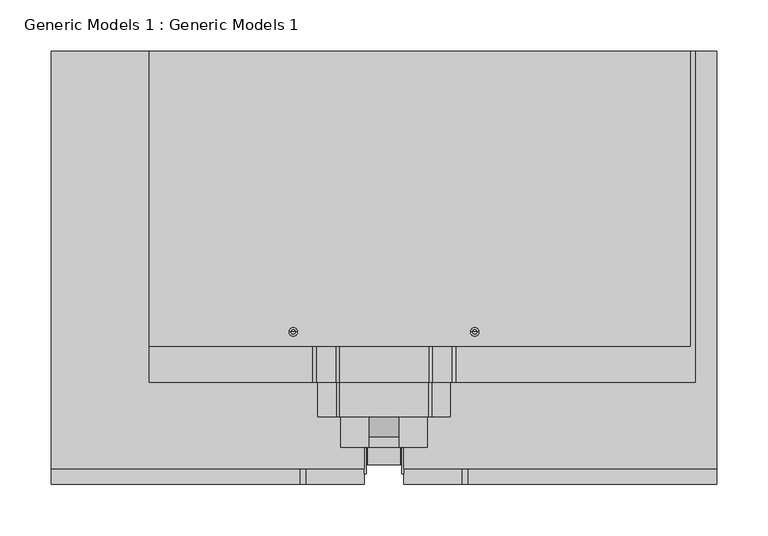
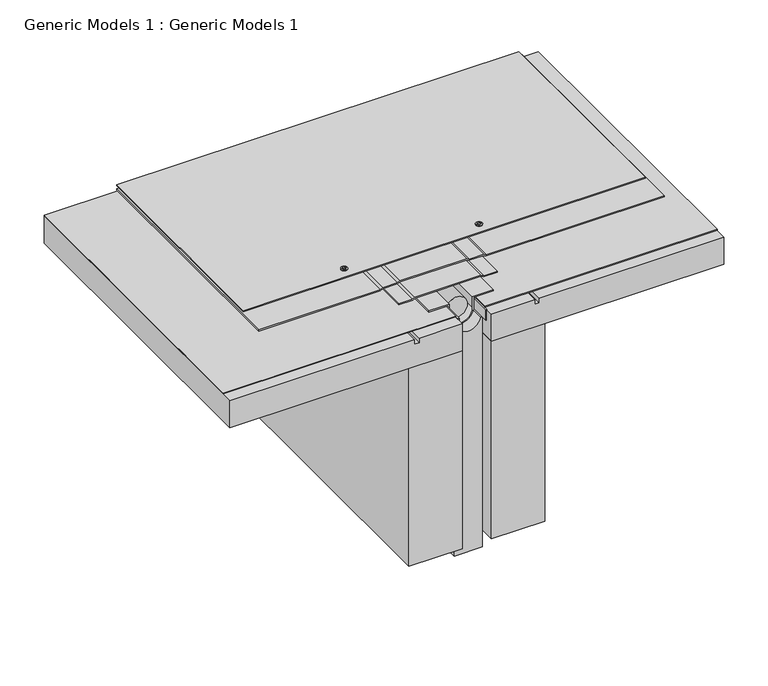
"""IFC4 building model written with IfcOpenShell, lengths in millimetres: proxy geometry, Generic Models 1 : Generic Models 1."""

import ifcopenshell
import ifcopenshell.guid

model = None  # the IFC model being written
_history = None  # IfcOwnerHistory: only IFC2X3 demands one
_inside = {}  # id of a spatial element -> (the spatial element, [elements in it])
_under = {}  # id of a project, library or spatial element -> (it, [spatial elements below it])
_declared = {}  # id of a project -> (the project, [libraries it declares])
_typed = {}  # id of a type object -> (the type object, [elements of that type])
_made_of = {}  # id of a material, layer set ... -> (it, [elements and type objects made of it])


def new_model(schema):
    """Start an empty IFC model of exactly this schema.

    Asked for "IFC4X3", IfcOpenShell would pick the latest addendum, in which some entities
    have other attributes; the version numbers below select the first issue.
    IFC2X3 requires an IfcOwnerHistory on every rooted entity: one is made here for all.
    """
    global model, _history
    if schema == "IFC4X3":
        model = ifcopenshell.file(schema_version=(4, 3, 0, 0))
    else:
        model = ifcopenshell.file(schema=schema)
    _inside.clear()
    _under.clear()
    _declared.clear()
    _typed.clear()
    _made_of.clear()
    _history = None
    if model.schema == "IFC2X3":
        org = make("IfcOrganization", Name="unknown")
        user = make(
            "IfcPersonAndOrganization",
            ThePerson=make("IfcPerson", FamilyName="unknown"),
            TheOrganization=org,
        )
        app = make(
            "IfcApplication",
            ApplicationDeveloper=org,
            Version="unknown",
            ApplicationFullName="unknown",
            ApplicationIdentifier="unknown",
        )
        _history = make(
            "IfcOwnerHistory",
            OwningUser=user,
            OwningApplication=app,
            ChangeAction="ADDED",
            CreationDate=0,
        )
    return model


def make(cls, **values):
    """One entity of the class cls with the attributes given. An attribute that is None is left unset."""
    return model.create_entity(
        cls, **{name: value for name, value in values.items() if value is not None}
    )


def rooted(cls, **values):
    """An entity with a GlobalId (a new one), such as an element, a storey or a relation."""
    return make(cls, GlobalId=ifcopenshell.guid.new(), OwnerHistory=_history, **values)


def si_unit(unit_type, name, prefix=None):
    """IfcSIUnit, for example si_unit("LENGTHUNIT", "METRE", prefix="MILLI")."""
    return make("IfcSIUnit", UnitType=unit_type, Prefix=prefix, Name=name)


def assignment(units):
    """IfcUnitAssignment: the units of a project."""
    return None if units is None else make("IfcUnitAssignment", Units=units)


def point(xyz):
    """IfcCartesianPoint."""
    return None if xyz is None else make("IfcCartesianPoint", Coordinates=xyz)


def direction(xyz):
    """IfcDirection."""
    return None if xyz is None else make("IfcDirection", DirectionRatios=xyz)


def frame(location, z_axis=None, x_axis=None):
    """IfcAxis2Placement3D, a coordinate frame: its origin and axes. An axis left out is left unset."""
    return make(
        "IfcAxis2Placement3D",
        Location=point(location),
        Axis=direction(z_axis),
        RefDirection=direction(x_axis),
    )


def frame_2d(location, x_axis=None):
    """IfcAxis2Placement2D, a coordinate frame in the plane: its origin and x axis."""
    return make(
        "IfcAxis2Placement2D", Location=point(location), RefDirection=direction(x_axis)
    )


def origin():
    """The frame at (0, 0, 0) with its axes left unset."""
    return frame((0.0, 0.0, 0.0))


def place(relative_to, where):
    """IfcLocalPlacement: puts the frame where relative to a parent placement (None: the world)."""
    return make(
        "IfcLocalPlacement", PlacementRelTo=relative_to, RelativePlacement=where
    )


def context(
    kind, dimensions, precision=None, world=None, true_north=None, identifier=None
):
    """IfcGeometricRepresentationContext, for example the 3D "Model" context."""
    return make(
        "IfcGeometricRepresentationContext",
        ContextIdentifier=identifier,
        ContextType=kind,
        CoordinateSpaceDimension=dimensions,
        Precision=precision,
        WorldCoordinateSystem=world,
        TrueNorth=true_north,
    )


def project(units=None, contexts=None):
    """IfcProject with its units and contexts."""
    return rooted(
        "IfcProject",
        Name="project",
        RepresentationContexts=contexts,
        UnitsInContext=assignment(units),
    )


def spatial(cls, under=None, at=None, **own):
    """A site, building, storey or space (cls), placed at a placement, below another one or the project."""
    s = rooted(cls, ObjectPlacement=at, **own)
    if under is not None:
        _under.setdefault(under.id(), (under, []))[1].append(s)
    return s


def polyline(points):
    """IfcPolyline through the points."""
    return make("IfcPolyline", Points=[point(p) for p in points])


def circle_curve(where, radius):
    """IfcCircle in the frame where."""
    return make("IfcCircle", Position=where, Radius=radius)


def trimmed(basis, trim1, trim2, sense, master):
    """IfcTrimmedCurve: the piece of a basis curve between two trims."""
    return make(
        "IfcTrimmedCurve",
        BasisCurve=basis,
        Trim1=trim1,
        Trim2=trim2,
        SenseAgreement=sense,
        MasterRepresentation=master,
    )


def segment(curve, same_sense, transition):
    """IfcCompositeCurveSegment."""
    return make(
        "IfcCompositeCurveSegment",
        Transition=transition,
        SameSense=same_sense,
        ParentCurve=curve,
    )


def composite_curve(segments, self_intersect=None):
    """IfcCompositeCurve: segments joined end to end."""
    return make("IfcCompositeCurve", Segments=segments, SelfIntersect=self_intersect)


def outline(outer, holes=None, kind="AREA"):
    """IfcArbitraryClosedProfileDef: a profile drawn as a closed curve; with holes, ...WithVoids."""
    if holes is None:
        return make("IfcArbitraryClosedProfileDef", ProfileType=kind, OuterCurve=outer)
    return make(
        "IfcArbitraryProfileDefWithVoids",
        ProfileType=kind,
        OuterCurve=outer,
        InnerCurves=holes,
    )


def extrude(swept, where, along, depth):
    """IfcExtrudedAreaSolid: the profile swept, set in the frame where, extruded along a direction by depth."""
    return make(
        "IfcExtrudedAreaSolid",
        SweptArea=swept,
        Position=where,
        ExtrudedDirection=direction(along),
        Depth=depth,
    )


def shape(context_of_items, identifier, shape_type, items):
    """IfcShapeRepresentation: the items that make up one representation, for example the "Body"."""
    return make(
        "IfcShapeRepresentation",
        ContextOfItems=context_of_items,
        RepresentationIdentifier=identifier,
        RepresentationType=shape_type,
        Items=items,
    )


def source(mapping_origin, context_of_items, identifier, shape_type, items):
    """IfcRepresentationMap: a shape defined once, which mapped items show again and again."""
    return make(
        "IfcRepresentationMap",
        MappingOrigin=mapping_origin,
        MappedRepresentation=shape(context_of_items, identifier, shape_type, items),
    )


def transform(
    local_origin,
    x_axis=None,
    y_axis=None,
    z_axis=None,
    scale=None,
    scale2=None,
    scale3=None,
    uniform=True,
):
    """IfcCartesianTransformationOperator3D, or its non-uniform kind. x_axis, y_axis, z_axis: its Axis1, 2, 3."""
    if uniform:
        return make(
            "IfcCartesianTransformationOperator3D",
            Axis1=direction(x_axis),
            Axis2=direction(y_axis),
            LocalOrigin=point(local_origin),
            Scale=scale,
            Axis3=direction(z_axis),
        )
    return make(
        "IfcCartesianTransformationOperator3DnonUniform",
        Axis1=direction(x_axis),
        Axis2=direction(y_axis),
        LocalOrigin=point(local_origin),
        Scale=scale,
        Axis3=direction(z_axis),
        Scale2=scale2,
        Scale3=scale3,
    )


def mapped(mapping_source, mapping_target):
    """IfcMappedItem: shows the shape of a source again, moved by a transform."""
    return make(
        "IfcMappedItem", MappingSource=mapping_source, MappingTarget=mapping_target
    )


def made_of(thing, what):
    """Note that an element or type object is made of a material, layer set ...; save() writes the relation."""
    if what is not None:
        _made_of.setdefault(what.id(), (what, []))[1].append(thing)
    return thing


def element(
    cls,
    number,
    at=None,
    inside=None,
    cuts=None,
    type_object=None,
    material=None,
    context=None,
    identifier="Body",
    shape_type=None,
    held_by="IfcProductDefinitionShape",
    body=None,
    shapes=None,
    **own,
):
    """One element of the class cls, such as IfcWall. Its Tag is "e" and its number.

    at: its placement. inside: the storey or other place that contains it. cuts: it is an
    opening in that element (IfcRelVoidsElement). A single representation is given by context,
    identifier, shape_type and body (its items); several are given by shapes. held_by: the class
    of the entity that holds the representations. save() writes the other relations.
    """
    e = rooted(cls, Tag="e%d" % number, ObjectPlacement=at, **own)
    if body is not None:
        shapes = [shape(context, identifier, shape_type, body)]
    if shapes is not None:
        e.Representation = make(held_by, Representations=shapes)
    if inside is not None:
        _inside.setdefault(inside.id(), (inside, []))[1].append(e)
    if cuts is not None:
        rooted(
            "IfcRelVoidsElement", RelatingBuildingElement=cuts, RelatedOpeningElement=e
        )
    if type_object is not None:
        _typed.setdefault(type_object.id(), (type_object, []))[1].append(e)
    return made_of(e, material)


def aggregate(whole, parts):
    """IfcRelAggregates: a whole, such as a stair, and the parts it consists of."""
    return rooted("IfcRelAggregates", RelatingObject=whole, RelatedObjects=parts)


def save(model, path):
    """Write the relations noted so far, then the file.

    IfcRelAggregates (storeys below a building ...), IfcRelContainedInSpatialStructure (elements
    in a storey), IfcRelDefinesByType, IfcRelAssociatesMaterial and IfcRelDeclares: one each for
    every whole, place, type object, material and project.
    """
    for whole, parts in _under.values():
        aggregate(whole, parts)
    for where, things in _inside.values():
        rooted(
            "IfcRelContainedInSpatialStructure",
            RelatedElements=things,
            RelatingStructure=where,
        )
    for kind, things in _typed.values():
        rooted("IfcRelDefinesByType", RelatedObjects=things, RelatingType=kind)
    for what, things in _made_of.values():
        rooted("IfcRelAssociatesMaterial", RelatedObjects=things, RelatingMaterial=what)
    for by, libraries in _declared.values():
        rooted("IfcRelDeclares", RelatingContext=by, RelatedDefinitions=libraries)
    model.write(path)


def plane_surface(at):
    """IfcPlane: the flat surface through the origin of the frame at, square to its z axis."""
    return make("IfcPlane", Position=at)


def cylinder_surface(at, radius):
    """IfcCylindricalSurface: all points at the distance radius from the z axis of the frame at."""
    return make("IfcCylindricalSurface", Position=at, Radius=radius)


def advanced_brep(points, edges, surfaces, faces):
    """IfcAdvancedBrep: a solid bounded by faces that lie on surfaces and meet in shared edges.

    An edge is (start, end): straight between two places in points (the first is 0);
    or (start, end, curve); or (start, end, curve, False) where it runs against its curve.
    A face is (place in surfaces, loops), or (place, loops, False) where it looks against
    its surface's normal. A loop lists edges by number (the first is 1), with a minus sign
    where the edge is run from its end to its start. The first loop is the outer one.
    """
    corners = [point(p) for p in points]
    vertices = [make("IfcVertexPoint", VertexGeometry=c) for c in corners]
    made = []
    for start, end, *more in edges:
        made.append(
            make(
                "IfcEdgeCurve",
                EdgeStart=vertices[start],
                EdgeEnd=vertices[end],
                EdgeGeometry=more[0] if more else make("IfcPolyline", Points=[corners[start], corners[end]]),
                SameSense=more[1] if len(more) > 1 else True,
            )
        )
    hull = []
    for where, loops, *sense in faces:
        bounds = []
        for j, loop in enumerate(loops):
            ring = [make("IfcOrientedEdge", EdgeElement=made[abs(k) - 1], Orientation=k > 0) for k in loop]
            bounds.append(
                make(
                    "IfcFaceOuterBound" if j == 0 else "IfcFaceBound",
                    Bound=make("IfcEdgeLoop", EdgeList=ring),
                    Orientation=True,
                )
            )
        hull.append(make("IfcAdvancedFace", Bounds=bounds, FaceSurface=surfaces[where], SameSense=sense[0] if sense else True))
    return make("IfcAdvancedBrep", Outer=make("IfcClosedShell", CfsFaces=hull))


def generic_models_1_generic_models_1_8ae48014(model_context):
    return source(origin(), model_context, "Body", "SolidModel", [
        advanced_brep(
        [(151.877635, 120.65, 355.2136339), (149.8322155, 120.65, 355.2136339), (153.9230545, 120.65, 355.2136339), (149.8322155, 120.65, 354.4198839), (153.9230545, 120.65, 354.4198839), (147.8023069, 120.65, 354.4198839), (155.9529632, 120.65, 354.4198839), (147.8023069, 120.65, 353.6261339), (155.9529632, 120.65, 353.6261339), (151.083885, 120.65, 353.6261339), (152.671385, 120.65, 353.6261339), (151.083885, 120.65, 332.7824191), (152.671385, 120.65, 332.7824191), (151.877635, 120.65, 332.7824191)],
        [
            (0, 1),
            (1, 2, circle_curve(frame((151.877635, 120.65, 355.2136339), z_axis=(0.0, 0.0, 1.0), x_axis=(-1.0, 0.0, 0.0)), 2.0454195)),
            (2, 0),
            (2, 1, circle_curve(frame((151.877635, 120.65, 355.2136339), z_axis=(0.0, 0.0, 1.0), x_axis=(-1.0, 0.0, 0.0)), 2.0454195)),
            (1, 3),
            (3, 4, circle_curve(frame((151.877635, 120.65, 354.4198839), z_axis=(0.0, 0.0, 1.0), x_axis=(-1.0, 0.0, 0.0)), 2.0454195)),
            (4, 2),
            (4, 3, circle_curve(frame((151.877635, 120.65, 354.4198839), z_axis=(0.0, 0.0, 1.0), x_axis=(-1.0, 0.0, 0.0)), 2.0454195)),
            (3, 5),
            (5, 6, circle_curve(frame((151.877635, 120.65, 354.4198839), z_axis=(0.0, 0.0, 1.0), x_axis=(-1.0, 0.0, 0.0)), 4.0753282)),
            (6, 4),
            (6, 5, circle_curve(frame((151.877635, 120.65, 354.4198839), z_axis=(0.0, 0.0, 1.0), x_axis=(-1.0, 0.0, 0.0)), 4.0753282)),
            (5, 7),
            (7, 8, circle_curve(frame((151.877635, 120.65, 353.6261339), z_axis=(0.0, 0.0, 1.0), x_axis=(-1.0, 0.0, 0.0)), 4.0753282)),
            (8, 6),
            (8, 7, circle_curve(frame((151.877635, 120.65, 353.6261339), z_axis=(0.0, 0.0, 1.0), x_axis=(-1.0, 0.0, 0.0)), 4.0753282)),
            (7, 9),
            (9, 10, circle_curve(frame((151.877635, 120.65, 353.6261339), z_axis=(0.0, 0.0, 1.0), x_axis=(-1.0, 0.0, 0.0)), 0.79375)),
            (10, 8),
            (10, 9, circle_curve(frame((151.877635, 120.65, 353.6261339), z_axis=(0.0, 0.0, 1.0), x_axis=(-1.0, 0.0, 0.0)), 0.79375)),
            (9, 11),
            (11, 12, circle_curve(frame((151.877635, 120.65, 332.7824191), z_axis=(0.0, 0.0, 1.0), x_axis=(-1.0, 0.0, 0.0)), 0.79375)),
            (12, 10),
            (12, 11, circle_curve(frame((151.877635, 120.65, 332.7824191), z_axis=(0.0, 0.0, 1.0), x_axis=(-1.0, 0.0, 0.0)), 0.79375)),
            (11, 13),
            (13, 12),
        ],
        [
            plane_surface(frame((151.877635, 120.65, 355.2136339), z_axis=(0.0, 0.0, 1.0), x_axis=(-1.0, 0.0, 0.0))),
            cylinder_surface(frame((151.877635, 120.65, 350.2112574), z_axis=(0.0, 0.0, 1.0), x_axis=(-1.0, 0.0, 0.0)), 2.0454195),
            plane_surface(frame((151.877635, 120.65, 354.4198839), z_axis=(0.0, 0.0, 1.0), x_axis=(-1.0, 0.0, 0.0))),
            cylinder_surface(frame((151.877635, 120.65, 350.2112574), z_axis=(0.0, 0.0, 1.0), x_axis=(-1.0, 0.0, 0.0)), 4.0753282),
            plane_surface(frame((151.877635, 120.65, 353.6261339), z_axis=(0.0, 0.0, -1.0), x_axis=(-1.0, 0.0, 0.0))),
            cylinder_surface(frame((151.877635, 120.65, 350.2112574), z_axis=(0.0, 0.0, 1.0), x_axis=(-1.0, 0.0, 0.0)), 0.79375),
            plane_surface(frame((151.877635, 120.65, 332.7824191), z_axis=(0.0, 0.0, -1.0), x_axis=(-1.0, 0.0, 0.0))),
        ],
        [
            (0, [[1, 2, 3]]),
            (0, [[-3, 4, -1]]),
            (1, [[-2, 5, 6, 7]]),
            (1, [[-4, -7, 8, -5]]),
            (2, [[-6, 9, 10, 11]]),
            (2, [[-8, -11, 12, -9]]),
            (3, [[-10, 13, 14, 15]]),
            (3, [[-12, -15, 16, -13]]),
            (4, [[-14, 17, 18, 19]]),
            (4, [[-16, -19, 20, -17]]),
            (5, [[-18, 21, 22, 23]]),
            (5, [[-20, -23, 24, -21]]),
            (6, [[-22, 25, 26]]),
            (6, [[-24, -26, -25]]),
        ],
    ),
        advanced_brep(
        [(-26.9230545, 120.65, 355.2136339), (-22.8322155, 120.65, 355.2136339), (-24.877635, 120.65, 355.2136339), (-26.9230545, 120.65, 354.4198839), (-22.8322155, 120.65, 354.4198839), (-28.9529632, 120.65, 354.4198839), (-20.8023069, 120.65, 354.4198839), (-28.9529632, 120.65, 353.6261339), (-20.8023069, 120.65, 353.6261339), (-25.671385, 120.65, 353.6261339), (-24.083885, 120.65, 353.6261339), (-25.671385, 120.65, 332.7824191), (-24.083885, 120.65, 332.7824191), (-24.877635, 120.65, 332.7824191)],
        [
            (0, 1, circle_curve(frame((-24.877635, 120.65, 355.2136339), z_axis=(0.0, 0.0, 1.0), x_axis=(1.0, 0.0, 0.0)), 2.0454195)),
            (1, 2),
            (2, 0),
            (1, 0, circle_curve(frame((-24.877635, 120.65, 355.2136339), z_axis=(0.0, 0.0, 1.0), x_axis=(1.0, 0.0, 0.0)), 2.0454195)),
            (3, 4, circle_curve(frame((-24.877635, 120.65, 354.4198839), z_axis=(0.0, 0.0, 1.0), x_axis=(1.0, 0.0, 0.0)), 2.0454195)),
            (4, 1),
            (0, 3),
            (4, 3, circle_curve(frame((-24.877635, 120.65, 354.4198839), z_axis=(0.0, 0.0, 1.0), x_axis=(1.0, 0.0, 0.0)), 2.0454195)),
            (5, 6, circle_curve(frame((-24.877635, 120.65, 354.4198839), z_axis=(0.0, 0.0, 1.0), x_axis=(1.0, 0.0, 0.0)), 4.0753282)),
            (6, 4),
            (3, 5),
            (6, 5, circle_curve(frame((-24.877635, 120.65, 354.4198839), z_axis=(0.0, 0.0, 1.0), x_axis=(1.0, 0.0, 0.0)), 4.0753282)),
            (7, 8, circle_curve(frame((-24.877635, 120.65, 353.6261339), z_axis=(0.0, 0.0, 1.0), x_axis=(1.0, 0.0, 0.0)), 4.0753282)),
            (8, 6),
            (5, 7),
            (8, 7, circle_curve(frame((-24.877635, 120.65, 353.6261339), z_axis=(0.0, 0.0, 1.0), x_axis=(1.0, 0.0, 0.0)), 4.0753282)),
            (9, 10, circle_curve(frame((-24.877635, 120.65, 353.6261339), z_axis=(0.0, 0.0, 1.0), x_axis=(1.0, 0.0, 0.0)), 0.79375)),
            (10, 8),
            (7, 9),
            (10, 9, circle_curve(frame((-24.877635, 120.65, 353.6261339), z_axis=(0.0, 0.0, 1.0), x_axis=(1.0, 0.0, 0.0)), 0.79375)),
            (11, 12, circle_curve(frame((-24.877635, 120.65, 332.7824191), z_axis=(0.0, 0.0, 1.0), x_axis=(1.0, 0.0, 0.0)), 0.79375)),
            (12, 10),
            (9, 11),
            (12, 11, circle_curve(frame((-24.877635, 120.65, 332.7824191), z_axis=(0.0, 0.0, 1.0), x_axis=(1.0, 0.0, 0.0)), 0.79375)),
            (13, 12),
            (11, 13),
        ],
        [
            plane_surface(frame((-24.877635, 120.65, 355.2136339), z_axis=(0.0, 0.0, 1.0), x_axis=(1.0, 0.0, 0.0))),
            cylinder_surface(frame((-24.877635, 120.65, 350.2112574), z_axis=(0.0, 0.0, -1.0), x_axis=(1.0, 0.0, 0.0)), 2.0454195),
            plane_surface(frame((-24.877635, 120.65, 354.4198839), z_axis=(0.0, 0.0, 1.0), x_axis=(1.0, 0.0, 0.0))),
            cylinder_surface(frame((-24.877635, 120.65, 350.2112574), z_axis=(0.0, 0.0, -1.0), x_axis=(1.0, 0.0, 0.0)), 4.0753282),
            plane_surface(frame((-24.877635, 120.65, 353.6261339), z_axis=(0.0, 0.0, -1.0), x_axis=(1.0, 0.0, 0.0))),
            cylinder_surface(frame((-24.877635, 120.65, 350.2112574), z_axis=(0.0, 0.0, -1.0), x_axis=(1.0, 0.0, 0.0)), 0.79375),
            plane_surface(frame((-24.877635, 120.65, 332.7824191), z_axis=(0.0, 0.0, -1.0), x_axis=(1.0, 0.0, 0.0))),
        ],
        [
            (0, [[1, 2, 3]]),
            (0, [[4, -3, -2]]),
            (1, [[5, 6, -1, 7]]),
            (1, [[8, -7, -4, -6]]),
            (2, [[9, 10, -5, 11]]),
            (2, [[12, -11, -8, -10]]),
            (3, [[13, 14, -9, 15]]),
            (3, [[16, -15, -12, -14]]),
            (4, [[17, 18, -13, 19]]),
            (4, [[20, -19, -16, -18]]),
            (5, [[21, 22, -17, 23]]),
            (5, [[24, -23, -20, -22]]),
            (6, [[25, -21, 26]]),
            (6, [[-26, -24, -25]]),
        ],
    ),
        extrude(outline(polyline([(305.9748414, 387.35), (343.2810914, 387.35), (343.2810914, 145.527635), (336.9310914, 145.527635), (336.9310914, 139.177635), (343.2810914, 139.177635), (343.2810914, 82.55), (305.9748414, 82.55), (305.9748414, 387.35)])), frame((0.0, -27.5493627, 0.0), z_axis=(0.0, 1.0, 0.0), x_axis=(0.0, 0.0, 1.0)), (0.0, 0.0, 1.0), 421.3963016),
        extrude(outline(polyline([(-165.2260002, 393.8469389), (361.8239998, 393.8469389), (361.8239998, 106.6655551), (-165.2260002, 106.6655551), (-165.2260002, 393.8469389)])), frame((0.0, 0.0, 352.0386339), z_axis=(0.0, 0.0, 1.0), x_axis=(1.0, 0.0, 0.0)), (0.0, 0.0, 1.0), 1.5875),
        extrude(outline(polyline([(-260.35, 393.8469389), (44.45, 393.8469389), (44.45, -12.7), (-260.35, -12.7), (-260.35, 393.8469389)])), frame((0.0, 0.0, 344.0748414), z_axis=(0.0, 0.0, 1.0), x_axis=(1.0, 0.0, 0.0)), (0.0, 0.0, 1.0), 0.79375),
        extrude(outline(polyline([(82.55, 393.8469389), (387.35, 393.8469389), (387.35, -12.7), (82.55, -12.7), (82.55, 393.8469389)])), frame((0.0, 0.0, 344.0748414), z_axis=(0.0, 0.0, 1.0), x_axis=(1.0, 0.0, 0.0)), (0.0, 0.0, 1.0), 0.79375),
        extrude(outline(polyline([(349.6573839, 20.1095896), (349.6573839, 106.8904104), (348.0435914, 110.3511997), (348.0435914, 129.3113303), (346.4297988, 132.7721196), (346.4297988, 366.4851869), (348.0172988, 366.4851869), (348.0172988, 133.1240599), (349.6310914, 129.6632706), (349.6310914, 110.70314), (351.2448839, 107.2423507), (351.2448839, 19.7576493), (349.6310914, 16.29686), (349.6310914, -2.6632706), (348.0172988, -6.1240599), (348.0172988, -165.2260002), (346.4297988, -165.2260002), (346.4297988, -5.7721196), (348.0435914, -2.3113303), (348.0435914, 16.6488003), (349.6573839, 20.1095896)])), frame((0.0, 71.5181407, 0.0), z_axis=(0.0, 1.0, 0.0), x_axis=(0.0, 0.0, 1.0)), (0.0, 0.0, 1.0), 322.3287982),
        extrude(outline(polyline([(348.8636339, 20.2855597), (347.2498414, 16.8247704), (347.2498414, -1.0795393), (345.6623414, -1.0795393), (345.6623414, 17.1767107), (347.2761339, 20.6375), (347.2761339, 106.3625), (345.6623414, 109.8232893), (345.6623414, 128.0795393), (347.2498414, 128.0795393), (347.2498414, 110.1752296), (348.8636339, 106.7144403), (348.8636339, 20.2855597)])), frame((0.0, 38.1327324, 0.0), z_axis=(0.0, 1.0, 0.0), x_axis=(0.0, 0.0, 1.0)), (0.0, 0.0, 1.0), 355.7142066),
        extrude(outline(composite_curve([segment(polyline([(328.1931348, 47.1377272), (328.1931348, 45.24375), (9.525, 45.24375), (9.525, 81.75625), (328.1931348, 81.75625), (328.1931348, 79.8622728)]), True, "CONTINUOUS"), segment(trimmed(circle_curve(frame_2d((331.3748414, 63.5)), 16.66875), [point((328.1931348, 79.8622728))], [point((328.1931348, 47.1377272))], True, "CARTESIAN"), True, "CONTINUOUS")], self_intersect=False)), frame((0.0, -8.424879, 0.0), z_axis=(0.0, 1.0, 0.0), x_axis=(0.0, 0.0, 1.0)), (0.0, 0.0, 1.0), 402.271818),
        extrude(outline(composite_curve([segment(polyline([(345.6623414, 105.56875), (347.2498414, 105.56875), (347.2498414, 78.5812443), (331.3616951, 78.5812443)]), True, "CONTINUOUS"), segment(trimmed(circle_curve(frame_2d((331.3748414, 63.5)), 15.08125), [point((331.3616951, 78.5812443))], [point((331.3616951, 48.4187557))], True, "CARTESIAN"), True, "CONTINUOUS"), segment(polyline([(331.3616951, 48.4187557), (347.2498414, 48.4187557), (347.2498414, 21.43125), (345.6623414, 21.43125), (345.6623414, 46.9082804), (329.7741951, 46.9082804)]), True, "CONTINUOUS"), segment(trimmed(circle_curve(frame_2d((331.3748414, 63.5)), 16.66875), [point((329.7741951, 46.9082804))], [point((329.7741951, 80.0917196))], False, "CARTESIAN"), True, "CONTINUOUS"), segment(polyline([(329.7741951, 80.0917196), (345.6623414, 80.0917196), (345.6623414, 105.56875)]), True, "CONTINUOUS")], self_intersect=False)), frame((0.0, 8.4096097, 0.0), z_axis=(0.0, 1.0, 0.0), x_axis=(0.0, 0.0, 1.0)), (0.0, 0.0, 1.0), 385.4373293),
        extrude(outline(composite_curve([segment(trimmed(circle_curve(frame_2d((331.3748414, 63.5)), 14.2875), [point((331.3748414, 49.2125))], [point((331.3748414, 77.7875))], False, "CARTESIAN"), True, "CONTINUOUS"), segment(trimmed(circle_curve(frame_2d((331.3748414, 63.5)), 14.2875), [point((331.3748414, 77.7875))], [point((331.3748414, 49.2125))], False, "CARTESIAN"), True, "CONTINUOUS")], self_intersect=False)), frame((0.0, 18.6714847, 0.0), z_axis=(0.0, 1.0, 0.0), x_axis=(0.0, 0.0, 1.0)), (0.0, 0.0, 1.0), 375.1754543),
        extrude(outline(polyline([(44.45, 393.8469389), (46.0375, 393.8469389), (46.0375, -17.4108394), (44.45, -17.4108394), (44.45, 393.8469389)])), frame((0.0, 0.0, 328.9868848), z_axis=(0.0, 0.0, 1.0), x_axis=(1.0, 0.0, 0.0)), (0.0, 0.0, 1.0), 15.0879565),
        extrude(outline(polyline([(80.9625, 393.8469389), (82.55, 393.8469389), (82.55, -17.4108394), (80.9625, -17.4108394), (80.9625, 393.8469389)])), frame((0.0, 0.0, 328.9868848), z_axis=(0.0, 0.0, 1.0), x_axis=(1.0, 0.0, 0.0)), (0.0, 0.0, 1.0), 15.0879565),
        extrude(outline(polyline([(305.9748414, -260.35), (305.9748414, 44.45), (343.2810914, 44.45), (343.2810914, -12.177635), (336.9310914, -12.177635), (336.9310914, -18.527635), (343.2810914, -18.527635), (343.2810914, -260.35), (305.9748414, -260.35)])), frame((0.0, -27.5493627, 0.0), z_axis=(0.0, 1.0, 0.0), x_axis=(0.0, 0.0, 1.0)), (0.0, 0.0, 1.0), 421.3963016),
        extrude(outline(polyline([(44.45, -27.5493627), (-25.4, -27.5493627), (-25.4, 393.8469389), (44.45, 393.8469389), (44.45, -27.5493627)])), frame((0.0, 0.0, 31.75), z_axis=(0.0, 0.0, 1.0), x_axis=(1.0, 0.0, 0.0)), (0.0, 0.0, 1.0), 274.2248414),
        extrude(outline(polyline([(152.4, -27.5493627), (82.55, -27.5493627), (82.55, 393.8469389), (152.4, 393.8469389), (152.4, -27.5493627)])), frame((0.0, 0.0, 31.75), z_axis=(0.0, 0.0, 1.0), x_axis=(1.0, 0.0, 0.0)), (0.0, 0.0, 1.0), 274.2248414),
    ])


if __name__ == "__main__":
    model = new_model("IFC4")
    model_context = context("Model", 3, world=origin())
    ifc_project = project(units=[si_unit("LENGTHUNIT", "METRE", prefix="MILLI")], contexts=[model_context])
    site = spatial("IfcSite", under=ifc_project)
    building = spatial("IfcBuilding", under=site)
    placement = place(None, origin())
    generic_models_1_generic_models_1_shape = generic_models_1_generic_models_1_8ae48014(model_context)
    element("IfcBuildingElementProxy", 1, Name="Generic Models 1 : Generic Models 1", ObjectType="Generic Models 1 : Generic Models 1", at=placement, inside=building, context=model_context, shape_type="MappedRepresentation", body=[
        mapped(generic_models_1_generic_models_1_shape, transform((0.0, 0.0, 0.0), x_axis=(1.0, 0.0, 0.0), y_axis=(0.0, 1.0, 0.0), z_axis=(0.0, 0.0, 1.0))),
    ])
    save(model, "model.ifc")
